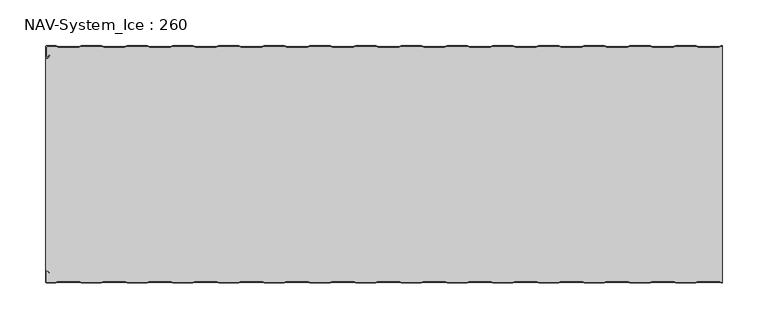
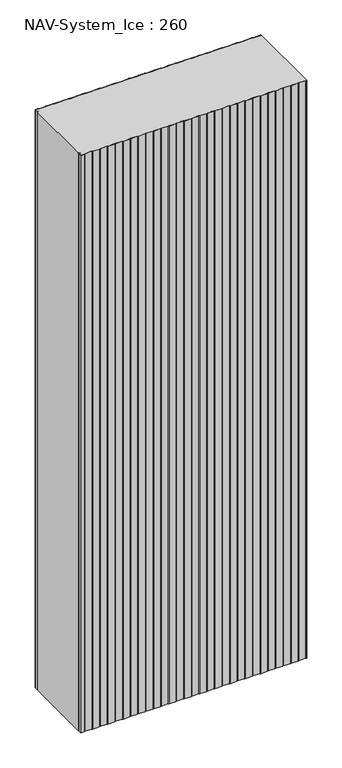
"""IFC4 building model written with IfcOpenShell, lengths in millimetres: plate geometry, NAV-System_Ice : 260."""

from ifc_helpers import new_model, si_unit, point, frame_2d, origin, origin_with_axes, place, context, project, spatial, polyline, circle_curve, trimmed, segment, composite_curve, outline, extrude, source, transform, mapped, element, save


def nav_system_ice_260_0b5ed8be(model_context):
    return source(origin(), model_context, "Body", "SweptSolid", [
        extrude(outline(composite_curve([segment(polyline([(369.1298221, -0.8), (366.1298221, -1.8), (343.8701779, -1.8), (340.8701779, -0.8), (319.1298221, -0.8), (316.1298221, -1.8), (293.8701779, -1.8), (290.8701779, -0.8), (269.1298221, -0.8), (266.1298221, -1.8), (243.8701779, -1.8), (240.8701779, -0.8), (219.1298221, -0.8), (216.1298221, -1.8), (193.8701779, -1.8), (190.8701779, -0.8), (169.1298221, -0.8), (166.1298221, -1.8), (143.8701779, -1.8), (140.8701779, -0.8), (119.1298221, -0.8), (116.1298221, -1.8), (93.8701779, -1.8), (90.8701779, -0.8), (69.1298221, -0.8), (66.1298221, -1.8), (43.8701779, -1.8), (40.8701779, -0.8), (19.1298221, -0.8), (16.1298221, -1.8), (-6.1298221, -1.8), (-9.1298221, -0.8), (-30.8701779, -0.8), (-33.8701779, -1.8), (-56.1298221, -1.8), (-59.1298221, -0.8), (-80.8701779, -0.8), (-83.8701779, -1.8), (-106.1298221, -1.8), (-109.1298221, -0.8), (-130.8701779, -0.8), (-133.8701779, -1.8), (-156.1298221, -1.8), (-159.1298221, -0.8), (-180.8701779, -0.8), (-183.8701779, -1.8), (-206.1298221, -1.8), (-209.1298221, -0.8), (-230.8701779, -0.8), (-233.8701779, -1.8), (-256.1298221, -1.8), (-259.1298221, -0.8), (-280.8701779, -0.8), (-283.8701779, -1.8), (-306.1298221, -1.8), (-309.1298221, -0.8), (-330.8701779, -0.8), (-333.8701779, -1.8), (-356.1298221, -1.8), (-359.1298221, -0.8), (-368.7, -0.8)]), True, "CONTINUOUS"), segment(trimmed(circle_curve(frame_2d((-368.7, -1.3)), 0.5), [point((-368.7, -0.8))], [point((-369.2, -1.3))], True, "CARTESIAN"), True, "CONTINUOUS"), segment(polyline([(-369.2, -1.3), (-369.2, -12.5857864)]), True, "CONTINUOUS"), segment(trimmed(circle_curve(frame_2d((-368.7, -12.5857864)), 0.5), [point((-369.2, -12.5857864))], [point((-368.3464466, -12.9393398))], True, "CARTESIAN"), True, "CONTINUOUS"), segment(polyline([(-368.3464466, -12.9393398), (-365.9205321, -10.5134253), (-365.3548467, -11.0791108), (-367.7807612, -13.5050253)]), True, "CONTINUOUS"), segment(trimmed(circle_curve(frame_2d((-368.7, -12.5857864)), 1.3), [point((-367.7807612, -13.5050253))], [point((-370.0, -12.5857864))], False, "CARTESIAN"), True, "CONTINUOUS"), segment(polyline([(-370.0, -12.5857864), (-370.0, -1.3)]), True, "CONTINUOUS"), segment(trimmed(circle_curve(frame_2d((-368.7, -1.3)), 1.3), [point((-370.0, -1.3))], [point((-368.7, 0.0))], False, "CARTESIAN"), True, "CONTINUOUS"), segment(polyline([(-368.7, 0.0), (-359.0, 0.0), (-356.0, -1.0), (-334.0, -1.0), (-331.0, 0.0), (-309.0, 0.0), (-306.0, -1.0), (-284.0, -1.0), (-281.0, 0.0), (-259.0, 0.0), (-256.0, -1.0), (-234.0, -1.0), (-231.0, 0.0), (-209.0, 0.0), (-206.0, -1.0), (-184.0, -1.0), (-181.0, 0.0), (-159.0, 0.0), (-156.0, -1.0), (-134.0, -1.0), (-131.0, 0.0), (-109.0, 0.0), (-106.0, -1.0), (-84.0, -1.0), (-81.0, 0.0), (-59.0, 0.0), (-56.0, -1.0), (-34.0, -1.0), (-31.0, 0.0), (-9.0, 0.0), (-6.0, -1.0), (16.0, -1.0), (19.0, 0.0), (41.0, 0.0), (44.0, -1.0), (66.0, -1.0), (69.0, 0.0), (91.0, 0.0), (94.0, -1.0), (116.0, -1.0), (119.0, 0.0), (141.0, 0.0), (144.0, -1.0), (166.0, -1.0), (169.0, 0.0), (191.0, 0.0), (194.0, -1.0), (216.0, -1.0), (219.0, 0.0), (241.0, 0.0), (244.0, -1.0), (266.0, -1.0), (269.0, 0.0), (291.0, 0.0), (294.0, -1.0), (316.0, -1.0), (319.0, 0.0), (341.0, 0.0), (344.0, -1.0), (366.0, -1.0), (369.0, 0.0), (370.0, 0.0), (370.0, -0.8), (369.1298221, -0.8)]), True, "CONTINUOUS")], self_intersect=False)), origin_with_axes(), (0.0, 0.0, 1.0), 2000.0),
        extrude(outline(composite_curve([segment(polyline([(369.1298221, -259.2), (366.1298221, -258.2), (343.8701779, -258.2), (340.8701779, -259.2), (319.1298221, -259.2), (316.1298221, -258.2), (293.8701779, -258.2), (290.8701779, -259.2), (269.1298221, -259.2), (266.1298221, -258.2), (243.8701779, -258.2), (240.8701779, -259.2), (219.1298221, -259.2), (216.1298221, -258.2), (193.8701779, -258.2), (190.8701779, -259.2), (169.1298221, -259.2), (166.1298221, -258.2), (143.8701779, -258.2), (140.8701779, -259.2), (119.1298221, -259.2), (116.1298221, -258.2), (93.8701779, -258.2), (90.8701779, -259.2), (69.1298221, -259.2), (66.1298221, -258.2), (43.8701779, -258.2), (40.8701779, -259.2), (19.1298221, -259.2), (16.1298221, -258.2), (-6.1298221, -258.2), (-9.1298221, -259.2), (-30.8701779, -259.2), (-33.8701779, -258.2), (-56.1298221, -258.2), (-59.1298221, -259.2), (-80.8701779, -259.2), (-83.8701779, -258.2), (-106.1298221, -258.2), (-109.1298221, -259.2), (-130.8701779, -259.2), (-133.8701779, -258.2), (-156.1298221, -258.2), (-159.1298221, -259.2), (-180.8701779, -259.2), (-183.8701779, -258.2), (-206.1298221, -258.2), (-209.1298221, -259.2), (-230.8701779, -259.2), (-233.8701779, -258.2), (-256.1298221, -258.2), (-259.1298221, -259.2), (-280.8701779, -259.2), (-283.8701779, -258.2), (-306.1298221, -258.2), (-309.1298221, -259.2), (-330.8701779, -259.2), (-333.8701779, -258.2), (-356.1298221, -258.2), (-359.1298221, -259.2), (-368.7, -259.2)]), True, "CONTINUOUS"), segment(trimmed(circle_curve(frame_2d((-368.7, -258.7)), 0.5), [point((-368.7, -259.2))], [point((-369.2, -258.7))], False, "CARTESIAN"), True, "CONTINUOUS"), segment(polyline([(-369.2, -258.7), (-369.2, -247.4142136)]), True, "CONTINUOUS"), segment(trimmed(circle_curve(frame_2d((-368.7, -247.4142136)), 0.5), [point((-369.2, -247.4142136))], [point((-368.3464466, -247.0606602))], False, "CARTESIAN"), True, "CONTINUOUS"), segment(polyline([(-368.3464466, -247.0606602), (-365.9205321, -249.4865747), (-365.3548467, -248.9208892), (-367.7807612, -246.4949747)]), True, "CONTINUOUS"), segment(trimmed(circle_curve(frame_2d((-368.7, -247.4142136)), 1.3), [point((-367.7807612, -246.4949747))], [point((-368.7, -246.1142136))], True, "CARTESIAN"), True, "CONTINUOUS"), segment(polyline([(-368.7, -246.1142136), (-370.0, -246.1142136), (-370.0, -13.8857864), (-368.7, -13.8857864)]), True, "CONTINUOUS"), segment(trimmed(circle_curve(frame_2d((-368.7, -12.5857864)), 1.3), [point((-368.7, -13.8857864))], [point((-367.7807612, -13.5050253))], True, "CARTESIAN"), True, "CONTINUOUS"), segment(polyline([(-367.7807612, -13.5050253), (-365.3548467, -11.0791108), (-365.9205321, -10.5134253), (-368.3464466, -12.9393398)]), True, "CONTINUOUS"), segment(trimmed(circle_curve(frame_2d((-368.7, -12.5857864)), 0.5), [point((-368.3464466, -12.9393398))], [point((-369.2, -12.5857864))], False, "CARTESIAN"), True, "CONTINUOUS"), segment(polyline([(-369.2, -12.5857864), (-369.2, -1.3)]), True, "CONTINUOUS"), segment(trimmed(circle_curve(frame_2d((-368.7, -1.3)), 0.5), [point((-369.2, -1.3))], [point((-368.7, -0.8))], False, "CARTESIAN"), True, "CONTINUOUS"), segment(polyline([(-368.7, -0.8), (-359.1298221, -0.8), (-356.1298221, -1.8), (-333.8701779, -1.8), (-330.8701779, -0.8), (-309.1298221, -0.8), (-306.1298221, -1.8), (-283.8701779, -1.8), (-280.8701779, -0.8), (-259.1298221, -0.8), (-256.1298221, -1.8), (-233.8701779, -1.8), (-230.8701779, -0.8), (-209.1298221, -0.8), (-206.1298221, -1.8), (-183.8701779, -1.8), (-180.8701779, -0.8), (-159.1298221, -0.8), (-156.1298221, -1.8), (-133.8701779, -1.8), (-130.8701779, -0.8), (-109.1298221, -0.8), (-106.1298221, -1.8), (-83.8701779, -1.8), (-80.8701779, -0.8), (-59.1298221, -0.8), (-56.1298221, -1.8), (-33.8701779, -1.8), (-30.8701779, -0.8), (-9.1298221, -0.8), (-6.1298221, -1.8), (16.1298221, -1.8), (19.1298221, -0.8), (40.8701779, -0.8), (43.8701779, -1.8), (66.1298221, -1.8), (69.1298221, -0.8), (90.8701779, -0.8), (93.8701779, -1.8), (116.1298221, -1.8), (119.1298221, -0.8), (140.8701779, -0.8), (143.8701779, -1.8), (166.1298221, -1.8), (169.1298221, -0.8), (190.8701779, -0.8), (193.8701779, -1.8), (216.1298221, -1.8), (219.1298221, -0.8), (240.8701779, -0.8), (243.8701779, -1.8), (266.1298221, -1.8), (269.1298221, -0.8), (290.8701779, -0.8), (293.8701779, -1.8), (316.1298221, -1.8), (319.1298221, -0.8), (340.8701779, -0.8), (343.8701779, -1.8), (366.1298221, -1.8), (369.1298221, -0.8), (370.0, -0.8), (370.0, -259.2), (369.1298221, -259.2)]), True, "CONTINUOUS")], self_intersect=False)), origin_with_axes(), (0.0, 0.0, 1.0), 2000.0),
        extrude(outline(composite_curve([segment(polyline([(369.0, -260.0), (366.0, -259.0), (344.0, -259.0), (341.0, -260.0), (319.0, -260.0), (316.0, -259.0), (294.0, -259.0), (291.0, -260.0), (269.0, -260.0), (266.0, -259.0), (244.0, -259.0), (241.0, -260.0), (219.0, -260.0), (216.0, -259.0), (194.0, -259.0), (191.0, -260.0), (169.0, -260.0), (166.0, -259.0), (144.0, -259.0), (141.0, -260.0), (119.0, -260.0), (116.0, -259.0), (94.0, -259.0), (91.0, -260.0), (69.0, -260.0), (66.0, -259.0), (44.0, -259.0), (41.0, -260.0), (19.0, -260.0), (16.0, -259.0), (-6.0, -259.0), (-9.0, -260.0), (-31.0, -260.0), (-34.0, -259.0), (-56.0, -259.0), (-59.0, -260.0), (-81.0, -260.0), (-84.0, -259.0), (-106.0, -259.0), (-109.0, -260.0), (-131.0, -260.0), (-134.0, -259.0), (-156.0, -259.0), (-159.0, -260.0), (-181.0, -260.0), (-184.0, -259.0), (-206.0, -259.0), (-209.0, -260.0), (-231.0, -260.0), (-234.0, -259.0), (-256.0, -259.0), (-259.0, -260.0), (-281.0, -260.0), (-284.0, -259.0), (-306.0, -259.0), (-309.0, -260.0), (-331.0, -260.0), (-334.0, -259.0), (-356.0, -259.0), (-359.0, -260.0), (-368.7, -260.0)]), True, "CONTINUOUS"), segment(trimmed(circle_curve(frame_2d((-368.7, -258.7)), 1.3), [point((-368.7, -260.0))], [point((-370.0, -258.7))], False, "CARTESIAN"), True, "CONTINUOUS"), segment(polyline([(-370.0, -258.7), (-370.0, -247.4142136)]), True, "CONTINUOUS"), segment(trimmed(circle_curve(frame_2d((-368.7, -247.4142136)), 1.3), [point((-370.0, -247.4142136))], [point((-367.7807612, -246.4949747))], False, "CARTESIAN"), True, "CONTINUOUS"), segment(polyline([(-367.7807612, -246.4949747), (-365.3548467, -248.9208892), (-365.9205321, -249.4865747), (-368.3464466, -247.0606602)]), True, "CONTINUOUS"), segment(trimmed(circle_curve(frame_2d((-368.7, -247.4142136)), 0.5), [point((-368.3464466, -247.0606602))], [point((-369.2, -247.4142136))], True, "CARTESIAN"), True, "CONTINUOUS"), segment(polyline([(-369.2, -247.4142136), (-369.2, -258.7)]), True, "CONTINUOUS"), segment(trimmed(circle_curve(frame_2d((-368.7, -258.7)), 0.5), [point((-369.2, -258.7))], [point((-368.7, -259.2))], True, "CARTESIAN"), True, "CONTINUOUS"), segment(polyline([(-368.7, -259.2), (-359.1298221, -259.2), (-356.1298221, -258.2), (-333.8701779, -258.2), (-330.8701779, -259.2), (-309.1298221, -259.2), (-306.1298221, -258.2), (-283.8701779, -258.2), (-280.8701779, -259.2), (-259.1298221, -259.2), (-256.1298221, -258.2), (-233.8701779, -258.2), (-230.8701779, -259.2), (-209.1298221, -259.2), (-206.1298221, -258.2), (-183.8701779, -258.2), (-180.8701779, -259.2), (-159.1298221, -259.2), (-156.1298221, -258.2), (-133.8701779, -258.2), (-130.8701779, -259.2), (-109.1298221, -259.2), (-106.1298221, -258.2), (-83.8701779, -258.2), (-80.8701779, -259.2), (-59.1298221, -259.2), (-56.1298221, -258.2), (-33.8701779, -258.2), (-30.8701779, -259.2), (-9.1298221, -259.2), (-6.1298221, -258.2), (16.1298221, -258.2), (19.1298221, -259.2), (40.8701779, -259.2), (43.8701779, -258.2), (66.1298221, -258.2), (69.1298221, -259.2), (90.8701779, -259.2), (93.8701779, -258.2), (116.1298221, -258.2), (119.1298221, -259.2), (140.8701779, -259.2), (143.8701779, -258.2), (166.1298221, -258.2), (169.1298221, -259.2), (190.8701779, -259.2), (193.8701779, -258.2), (216.1298221, -258.2), (219.1298221, -259.2), (240.8701779, -259.2), (243.8701779, -258.2), (266.1298221, -258.2), (269.1298221, -259.2), (290.8701779, -259.2), (293.8701779, -258.2), (316.1298221, -258.2), (319.1298221, -259.2), (340.8701779, -259.2), (343.8701779, -258.2), (366.1298221, -258.2), (369.1298221, -259.2), (370.0, -259.2), (370.0, -260.0), (369.0, -260.0)]), True, "CONTINUOUS")], self_intersect=False)), origin_with_axes(), (0.0, 0.0, 1.0), 2000.0),
    ])


if __name__ == "__main__":
    model = new_model("IFC4")
    model_context = context("Model", 3, world=origin())
    ifc_project = project(units=[si_unit("LENGTHUNIT", "METRE", prefix="MILLI")], contexts=[model_context])
    site = spatial("IfcSite", under=ifc_project)
    building = spatial("IfcBuilding", under=site)
    placement = place(None, origin())
    nav_system_ice_260_shape = nav_system_ice_260_0b5ed8be(model_context)
    element("IfcPlate", 1, ObjectType="NAV-System_Ice : 260", at=placement, inside=building, context=model_context, shape_type="MappedRepresentation", body=[
        mapped(nav_system_ice_260_shape, transform((0.0, 0.0, 0.0), x_axis=(1.0, 0.0, 0.0), y_axis=(0.0, 1.0, 0.0), z_axis=(0.0, 0.0, 1.0))),
    ])
    save(model, "model.ifc")
